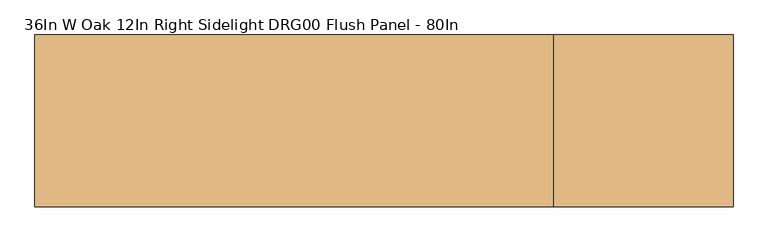
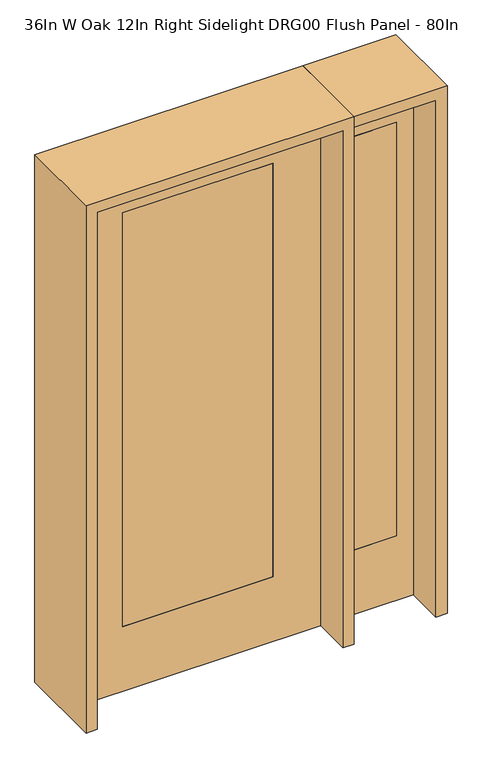
"""IFC4 building model written with IfcOpenShell, lengths in millimetres: door geometry, 36In W Oak 12In Right Sidelight DRG00 Flush Panel - 80In."""

from ifc_helpers import new_model, si_unit, frame, origin, place, context, project, spatial, polyline, outline, extrude, source, transform, mapped, element, save


def door_36in_w_oak_12in_right_sidelight_drg00_flush_panel_80in_3be94fcc(model_context):
    return source(origin(), model_context, "Body", "SweptSolid", [
        extrude(outline(polyline([(739.775, -20.6375), (561.975, -20.6375), (561.975, 20.6375), (739.775, 20.6375), (739.775, -20.6375)])), frame((0.0, 0.0, 254.0), z_axis=(0.0, 0.0, 1.0), x_axis=(1.0, 0.0, 0.0)), (0.0, 0.0, 1.0), 1625.6),
        extrude(outline(polyline([(0.0, 498.475), (0.0, 803.275), (2032.0, 803.275), (2032.0, 498.475), (0.0, 498.475)]), holes=[polyline([(1879.6, 739.775), (254.0, 739.775), (254.0, 561.975), (1879.6, 561.975), (1879.6, 739.775)])]), frame((0.0, -20.6375, 0.0), z_axis=(0.0, 1.0, 0.0), x_axis=(0.0, 0.0, 1.0)), (0.0, 0.0, 1.0), 41.275),
        extrude(outline(polyline([(2032.0, 457.2), (2032.0, -457.2), (0.0, -457.2), (0.0, 457.2), (2032.0, 457.2)]), holes=[polyline([(254.0, 279.4), (254.0, -279.4), (1879.6, -279.4), (1879.6, 279.4), (254.0, 279.4)])]), frame((0.0, -20.701, 0.0), z_axis=(0.0, 1.0, 0.0), x_axis=(0.0, 0.0, 1.0)), (0.0, 0.0, 1.0), 41.402),
        extrude(outline(polyline([(279.4, -20.701), (-279.4, -20.701), (-279.4, 20.701), (279.4, 20.701), (279.4, -20.701)])), frame((0.0, 0.0, 254.0), z_axis=(0.0, 0.0, 1.0), x_axis=(1.0, 0.0, 0.0)), (0.0, 0.0, 1.0), 1625.6),
        extrude(outline(polyline([(2073.275, -498.475), (0.0, -498.475), (0.0, -457.2), (2032.0, -457.2), (2032.0, 457.2), (0.0, 457.2), (0.0, 498.475), (2073.275, 498.475), (2073.275, -498.475)])), frame((0.0, -165.1, 0.0), z_axis=(0.0, 1.0, 0.0), x_axis=(0.0, 0.0, 1.0)), (0.0, 0.0, 1.0), 330.2),
        extrude(outline(polyline([(0.0, 803.275), (0.0, 844.55), (2073.275, 844.55), (2073.275, 498.475), (2032.0, 498.475), (2032.0, 803.275), (0.0, 803.275)])), frame((0.0, -165.1, 0.0), z_axis=(0.0, 1.0, 0.0), x_axis=(0.0, 0.0, 1.0)), (0.0, 0.0, 1.0), 330.2),
    ])


if __name__ == "__main__":
    model = new_model("IFC4")
    model_context = context("Model", 3, world=origin())
    ifc_project = project(units=[si_unit("LENGTHUNIT", "METRE", prefix="MILLI")], contexts=[model_context])
    site = spatial("IfcSite", under=ifc_project)
    building = spatial("IfcBuilding", under=site)
    placement = place(None, origin())
    door_36in_w_oak_12in_right_sidelight_drg00_flush_panel_80in_shape = door_36in_w_oak_12in_right_sidelight_drg00_flush_panel_80in_3be94fcc(model_context)
    element("IfcDoor", 1, ObjectType="36In W Oak 12In Right Sidelight DRG00 Flush Panel - 80In", at=placement, inside=building, context=model_context, shape_type="MappedRepresentation", body=[
        mapped(door_36in_w_oak_12in_right_sidelight_drg00_flush_panel_80in_shape, transform((0.0, 0.0, 0.0), x_axis=(1.0, 0.0, 0.0), y_axis=(0.0, 1.0, 0.0), z_axis=(0.0, 0.0, 1.0))),
    ])
    save(model, "model.ifc")
